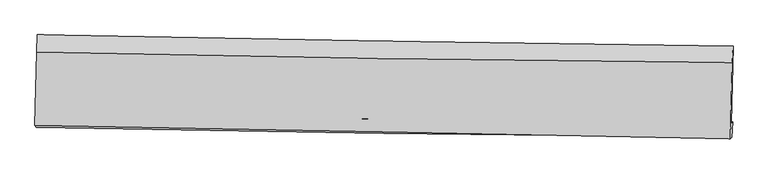
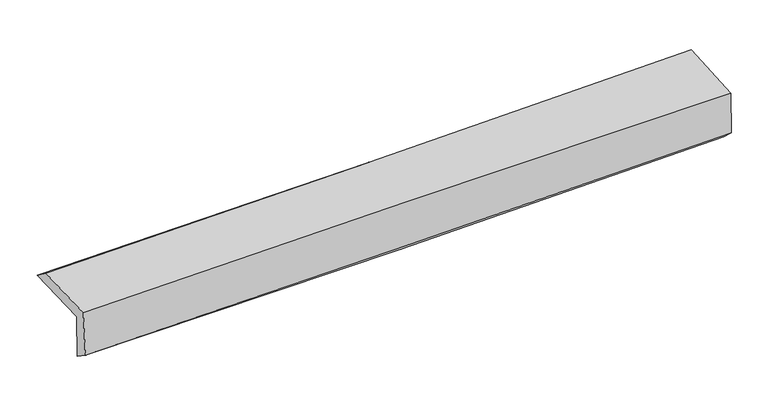
"""IFC4 building model written with IfcOpenShell, lengths in millimetres: proxy geometry."""

import ifcopenshell
import ifcopenshell.guid

model = None  # the IFC model being written
_history = None  # IfcOwnerHistory: only IFC2X3 demands one
_inside = {}  # id of a spatial element -> (the spatial element, [elements in it])
_under = {}  # id of a project, library or spatial element -> (it, [spatial elements below it])
_declared = {}  # id of a project -> (the project, [libraries it declares])
_typed = {}  # id of a type object -> (the type object, [elements of that type])
_made_of = {}  # id of a material, layer set ... -> (it, [elements and type objects made of it])


def new_model(schema):
    """Start an empty IFC model of exactly this schema.

    Asked for "IFC4X3", IfcOpenShell would pick the latest addendum, in which some entities
    have other attributes; the version numbers below select the first issue.
    IFC2X3 requires an IfcOwnerHistory on every rooted entity: one is made here for all.
    """
    global model, _history
    if schema == "IFC4X3":
        model = ifcopenshell.file(schema_version=(4, 3, 0, 0))
    else:
        model = ifcopenshell.file(schema=schema)
    _inside.clear()
    _under.clear()
    _declared.clear()
    _typed.clear()
    _made_of.clear()
    _history = None
    if model.schema == "IFC2X3":
        org = make("IfcOrganization", Name="unknown")
        user = make(
            "IfcPersonAndOrganization",
            ThePerson=make("IfcPerson", FamilyName="unknown"),
            TheOrganization=org,
        )
        app = make(
            "IfcApplication",
            ApplicationDeveloper=org,
            Version="unknown",
            ApplicationFullName="unknown",
            ApplicationIdentifier="unknown",
        )
        _history = make(
            "IfcOwnerHistory",
            OwningUser=user,
            OwningApplication=app,
            ChangeAction="ADDED",
            CreationDate=0,
        )
    return model


def make(cls, **values):
    """One entity of the class cls with the attributes given. An attribute that is None is left unset."""
    return model.create_entity(
        cls, **{name: value for name, value in values.items() if value is not None}
    )


def rooted(cls, **values):
    """An entity with a GlobalId (a new one), such as an element, a storey or a relation."""
    return make(cls, GlobalId=ifcopenshell.guid.new(), OwnerHistory=_history, **values)


def si_unit(unit_type, name, prefix=None):
    """IfcSIUnit, for example si_unit("LENGTHUNIT", "METRE", prefix="MILLI")."""
    return make("IfcSIUnit", UnitType=unit_type, Prefix=prefix, Name=name)


def assignment(units):
    """IfcUnitAssignment: the units of a project."""
    return None if units is None else make("IfcUnitAssignment", Units=units)


def point(xyz):
    """IfcCartesianPoint."""
    return None if xyz is None else make("IfcCartesianPoint", Coordinates=xyz)


def direction(xyz):
    """IfcDirection."""
    return None if xyz is None else make("IfcDirection", DirectionRatios=xyz)


def frame(location, z_axis=None, x_axis=None):
    """IfcAxis2Placement3D, a coordinate frame: its origin and axes. An axis left out is left unset."""
    return make(
        "IfcAxis2Placement3D",
        Location=point(location),
        Axis=direction(z_axis),
        RefDirection=direction(x_axis),
    )


def origin():
    """The frame at (0, 0, 0) with its axes left unset."""
    return frame((0.0, 0.0, 0.0))


def place(relative_to, where):
    """IfcLocalPlacement: puts the frame where relative to a parent placement (None: the world)."""
    return make(
        "IfcLocalPlacement", PlacementRelTo=relative_to, RelativePlacement=where
    )


def context(
    kind, dimensions, precision=None, world=None, true_north=None, identifier=None
):
    """IfcGeometricRepresentationContext, for example the 3D "Model" context."""
    return make(
        "IfcGeometricRepresentationContext",
        ContextIdentifier=identifier,
        ContextType=kind,
        CoordinateSpaceDimension=dimensions,
        Precision=precision,
        WorldCoordinateSystem=world,
        TrueNorth=true_north,
    )


def project(units=None, contexts=None):
    """IfcProject with its units and contexts."""
    return rooted(
        "IfcProject",
        Name="project",
        RepresentationContexts=contexts,
        UnitsInContext=assignment(units),
    )


def spatial(cls, under=None, at=None, **own):
    """A site, building, storey or space (cls), placed at a placement, below another one or the project."""
    s = rooted(cls, ObjectPlacement=at, **own)
    if under is not None:
        _under.setdefault(under.id(), (under, []))[1].append(s)
    return s


def shape(context_of_items, identifier, shape_type, items):
    """IfcShapeRepresentation: the items that make up one representation, for example the "Body"."""
    return make(
        "IfcShapeRepresentation",
        ContextOfItems=context_of_items,
        RepresentationIdentifier=identifier,
        RepresentationType=shape_type,
        Items=items,
    )


def source(mapping_origin, context_of_items, identifier, shape_type, items):
    """IfcRepresentationMap: a shape defined once, which mapped items show again and again."""
    return make(
        "IfcRepresentationMap",
        MappingOrigin=mapping_origin,
        MappedRepresentation=shape(context_of_items, identifier, shape_type, items),
    )


def transform(
    local_origin,
    x_axis=None,
    y_axis=None,
    z_axis=None,
    scale=None,
    scale2=None,
    scale3=None,
    uniform=True,
):
    """IfcCartesianTransformationOperator3D, or its non-uniform kind. x_axis, y_axis, z_axis: its Axis1, 2, 3."""
    if uniform:
        return make(
            "IfcCartesianTransformationOperator3D",
            Axis1=direction(x_axis),
            Axis2=direction(y_axis),
            LocalOrigin=point(local_origin),
            Scale=scale,
            Axis3=direction(z_axis),
        )
    return make(
        "IfcCartesianTransformationOperator3DnonUniform",
        Axis1=direction(x_axis),
        Axis2=direction(y_axis),
        LocalOrigin=point(local_origin),
        Scale=scale,
        Axis3=direction(z_axis),
        Scale2=scale2,
        Scale3=scale3,
    )


def mapped(mapping_source, mapping_target):
    """IfcMappedItem: shows the shape of a source again, moved by a transform."""
    return make(
        "IfcMappedItem", MappingSource=mapping_source, MappingTarget=mapping_target
    )


def made_of(thing, what):
    """Note that an element or type object is made of a material, layer set ...; save() writes the relation."""
    if what is not None:
        _made_of.setdefault(what.id(), (what, []))[1].append(thing)
    return thing


def element(
    cls,
    number,
    at=None,
    inside=None,
    cuts=None,
    type_object=None,
    material=None,
    context=None,
    identifier="Body",
    shape_type=None,
    held_by="IfcProductDefinitionShape",
    body=None,
    shapes=None,
    **own,
):
    """One element of the class cls, such as IfcWall. Its Tag is "e" and its number.

    at: its placement. inside: the storey or other place that contains it. cuts: it is an
    opening in that element (IfcRelVoidsElement). A single representation is given by context,
    identifier, shape_type and body (its items); several are given by shapes. held_by: the class
    of the entity that holds the representations. save() writes the other relations.
    """
    e = rooted(cls, Tag="e%d" % number, ObjectPlacement=at, **own)
    if body is not None:
        shapes = [shape(context, identifier, shape_type, body)]
    if shapes is not None:
        e.Representation = make(held_by, Representations=shapes)
    if inside is not None:
        _inside.setdefault(inside.id(), (inside, []))[1].append(e)
    if cuts is not None:
        rooted(
            "IfcRelVoidsElement", RelatingBuildingElement=cuts, RelatedOpeningElement=e
        )
    if type_object is not None:
        _typed.setdefault(type_object.id(), (type_object, []))[1].append(e)
    return made_of(e, material)


def aggregate(whole, parts):
    """IfcRelAggregates: a whole, such as a stair, and the parts it consists of."""
    return rooted("IfcRelAggregates", RelatingObject=whole, RelatedObjects=parts)


def save(model, path):
    """Write the relations noted so far, then the file.

    IfcRelAggregates (storeys below a building ...), IfcRelContainedInSpatialStructure (elements
    in a storey), IfcRelDefinesByType, IfcRelAssociatesMaterial and IfcRelDeclares: one each for
    every whole, place, type object, material and project.
    """
    for whole, parts in _under.values():
        aggregate(whole, parts)
    for where, things in _inside.values():
        rooted(
            "IfcRelContainedInSpatialStructure",
            RelatedElements=things,
            RelatingStructure=where,
        )
    for kind, things in _typed.values():
        rooted("IfcRelDefinesByType", RelatedObjects=things, RelatingType=kind)
    for what, things in _made_of.values():
        rooted("IfcRelAssociatesMaterial", RelatedObjects=things, RelatingMaterial=what)
    for by, libraries in _declared.values():
        rooted("IfcRelDeclares", RelatingContext=by, RelatedDefinitions=libraries)
    model.write(path)


def plane_surface(at):
    """IfcPlane: the flat surface through the origin of the frame at, square to its z axis."""
    return make("IfcPlane", Position=at)


def spline_curve(degree, points, multiplicities, knots, weights=None):
    """IfcBSplineCurveWithKnots; with weights, IfcRationalBSplineCurveWithKnots."""
    own = dict(
        Degree=degree,
        ControlPointsList=[point(p) for p in points],
        CurveForm="UNSPECIFIED",
        ClosedCurve=False,
        SelfIntersect=False,
        KnotMultiplicities=multiplicities,
        Knots=knots,
        KnotSpec="UNSPECIFIED",
    )
    if weights is None:
        return make("IfcBSplineCurveWithKnots", **own)
    return make("IfcRationalBSplineCurveWithKnots", WeightsData=weights, **own)


def spline_surface(u_degree, v_degree, points, u_multiplicities, v_multiplicities, u_knots, v_knots, weights=None):
    """IfcBSplineSurfaceWithKnots; with weights, IfcRationalBSplineSurfaceWithKnots. points: one row for each step in u."""
    own = dict(
        UDegree=u_degree,
        VDegree=v_degree,
        ControlPointsList=[[point(p) for p in row] for row in points],
        SurfaceForm="UNSPECIFIED",
        UClosed=False,
        VClosed=False,
        SelfIntersect=False,
        UMultiplicities=u_multiplicities,
        VMultiplicities=v_multiplicities,
        UKnots=u_knots,
        VKnots=v_knots,
        KnotSpec="UNSPECIFIED",
    )
    if weights is None:
        return make("IfcBSplineSurfaceWithKnots", **own)
    return make("IfcRationalBSplineSurfaceWithKnots", WeightsData=weights, **own)


def advanced_brep(points, edges, surfaces, faces):
    """IfcAdvancedBrep: a solid bounded by faces that lie on surfaces and meet in shared edges.

    An edge is (start, end): straight between two places in points (the first is 0);
    or (start, end, curve); or (start, end, curve, False) where it runs against its curve.
    A face is (place in surfaces, loops), or (place, loops, False) where it looks against
    its surface's normal. A loop lists edges by number (the first is 1), with a minus sign
    where the edge is run from its end to its start. The first loop is the outer one.
    """
    corners = [point(p) for p in points]
    vertices = [make("IfcVertexPoint", VertexGeometry=c) for c in corners]
    made = []
    for start, end, *more in edges:
        made.append(
            make(
                "IfcEdgeCurve",
                EdgeStart=vertices[start],
                EdgeEnd=vertices[end],
                EdgeGeometry=more[0] if more else make("IfcPolyline", Points=[corners[start], corners[end]]),
                SameSense=more[1] if len(more) > 1 else True,
            )
        )
    hull = []
    for where, loops, *sense in faces:
        bounds = []
        for j, loop in enumerate(loops):
            ring = [make("IfcOrientedEdge", EdgeElement=made[abs(k) - 1], Orientation=k > 0) for k in loop]
            bounds.append(
                make(
                    "IfcFaceOuterBound" if j == 0 else "IfcFaceBound",
                    Bound=make("IfcEdgeLoop", EdgeList=ring),
                    Orientation=True,
                )
            )
        hull.append(make("IfcAdvancedFace", Bounds=bounds, FaceSurface=surfaces[where], SameSense=sense[0] if sense else True))
    return make("IfcAdvancedBrep", Outer=make("IfcClosedShell", CfsFaces=hull))


def generic_models_c158de7d(model_context):
    return source(origin(), model_context, "Body", "AdvancedBrep", [
        advanced_brep(
        [(-3026.2478753, -1761.5955665, 1976.6779601), (-3010.233546, -1087.709192, 1975.6823363), (3015.8185773, -1187.7737099, 2103.8215374), (2999.8403979, -1857.7310887, 2106.906991), (-3014.8907949, -1748.5931013, 1572.0265711), (3011.153668, -1844.9698934, 1703.6505049), (-3020.9783121, -1890.7237376, 1671.485837), (3004.4947702, -1979.7643991, 1830.4105614), (-3031.9498201, -1875.9986916, 2086.1075349), (2993.2692883, -1992.4265708, 2230.5378789), (-3016.9426462, -1237.7719649, 2091.0148173), (3008.3295493, -1327.3204586, 2256.8557037)],
        [
            (0, 1),
            (1, 2, spline_curve(3, [(-3010.233546, -1087.709192, 1975.6823363), (-2005.712810689, -1107.394169504, 1988.011023298), (-1001.283214858, -1125.57534397, 2004.853579752), (1007.400827257, -1158.930204646, 2047.566582487), (2011.655273109, -1174.10386951, 2073.437093284), (3015.8185773, -1187.7737099, 2103.8215374)], [4, 2, 4], [0.0, 9.888957292160466, 19.77798479982387])),
            (2, 3),
            (3, 0, spline_curve(3, [(2999.8403979, -1857.7310887, 2106.906991), (1995.61552792, -1846.036898663, 2077.060775336), (991.327287112, -1832.178473941, 2051.285224336), (-1017.36880507, -1800.133269225, 2007.875605377), (-2021.776655317, -1781.946519789, 1990.241479217), (-3026.2478753, -1761.5955665, 1976.6779601)], [4, 2, 4], [0.0, 9.889027507663403, 19.77798479982387])),
            (4, 0),
            (3, 5),
            (5, 4, spline_curve(3, [(3011.153668, -1844.9698934, 1703.6505049), (2007.097445904, -1833.117446662, 1667.765119867), (1002.897179821, -1819.159787733, 1638.853752279), (-1005.78430983, -1787.034160719, 1594.979206484), (-2010.265531368, -1768.866222015, 1580.015929788), (-3014.8907949, -1748.5931013, 1572.0265711)], [4, 2, 4], [0.0, 9.889079176679838, 19.77808813748987])),
            (6, 4),
            (5, 7),
            (7, 6, spline_curve(3, [(3004.4947702, -1979.7643991, 1830.4105614), (2000.160064029, -1971.86577995, 1801.28917731), (995.868171338, -1960.496376729, 1773.484716034), (-1012.622855223, -1930.816106641, 1720.509826637), (-2016.821990442, -1912.505289806, 1695.339379798), (-3020.9783121, -1890.7237376, 1671.485837)], [4, 2, 4], [0.0, 9.888973506909903, 19.77787679870029])),
            (8, 6),
            (7, 9),
            (9, 8, spline_curve(3, [(2993.2692883, -1992.4265708, 2230.5378789), (1988.929189263, -1970.656657121, 2213.666435072), (984.655764879, -1950.06934676, 2193.194795426), (-1023.750603665, -1911.26007062, 2145.051296492), (-2027.883548988, -1893.038087995, 2117.37948779), (-3031.9498201, -1875.9986916, 2086.1075349)], [4, 2, 4], [0.0, 9.888715554190574, 19.77736089509319])),
            (10, 8),
            (9, 11),
            (11, 10, spline_curve(3, [(3008.3295493, -1327.3204586, 2256.8557037), (2003.961238998, -1319.061173792, 2229.278430446), (999.669285259, -1307.469118521, 2201.669671127), (-1008.754778982, -1277.61957345, 2146.389374929), (-2012.886890187, -1259.3621307, 2118.717839137), (-3016.9426462, -1237.7719649, 2091.0148173)], [4, 2, 4], [0.0, 9.8887129813688, 19.777355749467908])),
            (1, 10),
            (11, 2),
        ],
        [
            spline_surface(3, 3, [[(-3026.2478753, -1761.5955665, 1976.6779601), (-2021.7766552, -1781.946519754, 1990.241479341), (-1017.368804967, -1800.133269183, 2007.875605284), (991.327287009, -1832.178473983, 2051.285224428), (1995.615527823, -1846.036898621, 2077.060775485), (2999.8403979, -1857.7310887, 2106.906991)], [(-3020.909765522, -1536.966774983, 1976.346085474), (-2016.422040301, -1557.095736364, 1989.497993985), (-1012.006941635, -1575.280627457, 2006.86826342), (996.685133813, -1607.762384207, 2050.045677165), (2000.962109535, -1622.059222259, 2075.852881429), (3005.1664577, -1634.411962413, 2105.878506471)], [(-3015.571655778, -1312.337983517, 1976.014210926), (-2011.067425437, -1332.244953025, 1988.754508708), (-1006.645078328, -1350.427985709, 2005.86092151), (1002.042980592, -1383.34629441, 2048.806129856), (2006.308691248, -1398.081545956, 2074.64498736), (3010.4925175, -1411.092836187, 2104.850021929)], [(-3010.233546, -1087.709192, 1975.6823363), (-2005.712810537, -1107.394169635, 1988.011023352), (-1001.283214996, -1125.575343982, 2004.853579646), (1007.400827396, -1158.930204634, 2047.566582593), (2011.65527296, -1174.103869594, 2073.437093304), (3015.8185773, -1187.7737099, 2103.8215374)]], [4, 4], [4, 2, 4], [0.0, 2.2116250747869], [0.0, 9.888957292160466, 19.77798479982387]),
            spline_surface(3, 3, [[(-3014.8907949, -1748.5931013, 1572.0265711), (-2010.265531286, -1768.866221988, 1580.015929808), (-1005.784309848, -1787.034160595, 1594.979206608), (1002.897179839, -1819.159787856, 1638.853752155), (2007.097446019, -1833.117446618, 1667.76511999), (3011.153668, -1844.9698934, 1703.6505049)], [(-3018.676488366, -1752.927256386, 1706.910367445), (-2014.102572589, -1773.226321263, 1716.757779664), (-1009.645808218, -1791.400530116, 1732.611339491), (999.040548899, -1823.49934989, 1776.33090957), (2003.270139956, -1837.423930639, 1804.197005169), (3007.382577969, -1849.223625186, 1838.069333614)], [(-3022.462181834, -1757.261411414, 1841.794163755), (-2017.939613896, -1777.586420479, 1853.499629484), (-1013.507306597, -1795.766899663, 1870.243472401), (995.183917949, -1827.838911949, 1913.808067013), (1999.442833886, -1841.730414601, 1940.628890306), (3003.611487931, -1853.477356914, 1972.488162286)], [(-3026.2478753, -1761.5955665, 1976.6779601), (-2021.7766552, -1781.946519754, 1990.241479341), (-1017.368804967, -1800.133269183, 2007.875605284), (991.327287009, -1832.178473983, 2051.285224428), (1995.615527823, -1846.036898621, 2077.060775485), (2999.8403979, -1857.7310887, 2106.906991)]], [4, 4], [4, 2, 4], [0.0, 1.3550944667069615], [0.0, 9.889008960810033, 19.77808813748987]),
            spline_surface(3, 3, [[(-3020.9783121, -1890.7237376, 1671.485837), (-2016.821990324, -1912.505289666, 1695.33937983), (-1012.622855352, -1930.816106786, 1720.50982662), (995.868171466, -1960.496376584, 1773.484716051), (2000.160063942, -1971.865779943, 1801.289177396), (3004.4947702, -1979.7643991, 1830.4105614)], [(-3018.949139725, -1843.346858834, 1638.332748354), (-2014.636504003, -1864.625600441, 1656.89822981), (-1010.343340208, -1882.888791397, 1678.666286615), (998.211174233, -1913.384180349, 1728.607728084), (2002.472524624, -1925.616335491, 1756.781158231), (3006.71440279, -1934.83289719, 1788.157209203)], [(-3016.919967275, -1795.969980066, 1605.179659746), (-2012.451017607, -1816.745911214, 1618.457079828), (-1008.063824992, -1834.961475985, 1636.822746613), (1000.554177072, -1866.271984092, 1683.730740121), (2004.784985336, -1879.36689107, 1712.273139156), (3008.93403541, -1889.90139531, 1745.903857097)], [(-3014.8907949, -1748.5931013, 1572.0265711), (-2010.265531286, -1768.866221988, 1580.015929808), (-1005.784309848, -1787.034160595, 1594.979206608), (1002.897179839, -1819.159787856, 1638.853752155), (2007.097446019, -1833.117446618, 1667.76511999), (3011.153668, -1844.9698934, 1703.6505049)]], [4, 4], [4, 2, 4], [0.0, 0.633569518344665], [0.0, 9.888903291790388, 19.77787679870029]),
            spline_surface(3, 3, [[(-3031.9498201, -1875.9986916, 2086.1075349), (-2027.883548845, -1893.03808784, 2117.379487856), (-1023.750603652, -1911.260070547, 2145.051296411), (984.655764866, -1950.069346833, 2193.194795507), (1988.929189144, -1970.656657167, 2213.666435011), (2993.2692883, -1992.4265708, 2230.5378789)], [(-3028.29265074, -1880.90704027, 1947.900302267), (-2024.196362644, -1899.527155118, 1976.699451848), (-1020.041354198, -1917.77874929, 2003.537473147), (988.393233753, -1953.545023413, 2053.291435688), (1992.672814099, -1971.059698093, 2076.207349168), (2997.011115622, -1988.205846901, 2097.162106429)], [(-3024.63548146, -1885.81538893, 1809.693069633), (-2020.509176525, -1906.016222388, 1836.019415839), (-1016.332104806, -1924.297428043, 1862.023649884), (992.130702579, -1957.020700004, 1913.38807587), (1996.416438987, -1971.462739017, 1938.748263239), (3000.752942878, -1983.985122999, 1963.786333871)], [(-3020.9783121, -1890.7237376, 1671.485837), (-2016.821990324, -1912.505289666, 1695.33937983), (-1012.622855352, -1930.816106786, 1720.50982662), (995.868171466, -1960.496376584, 1773.484716051), (2000.160063942, -1971.865779943, 1801.289177396), (3004.4947702, -1979.7643991, 1830.4105614)]], [4, 4], [4, 2, 4], [0.0, 1.386284611058166], [0.0, 9.888645340902615, 19.77736089509319]),
            spline_surface(3, 3, [[(-3016.9426462, -1237.7719649, 2091.0148173), (-2012.886890294, -1259.362130622, 2118.717839209), (-1008.754778902, -1277.61957338, 2146.389375062), (999.669285179, -1307.469118591, 2201.669670993), (2003.961238956, -1319.061173765, 2229.278430572), (3008.3295493, -1327.3204586, 2256.8557037)], [(-3021.945037503, -1450.514207109, 2089.379056519), (-2017.885776481, -1470.58744967, 2118.27172211), (-1013.753387155, -1488.833072453, 2145.943348846), (994.664778404, -1521.66919469, 2198.844712499), (1998.950555682, -1536.259668236, 2224.074432024), (3003.309462296, -1549.022496004, 2248.083095405)], [(-3026.947428797, -1663.256449391, 2087.743295681), (-2022.884662658, -1681.812768792, 2117.825604955), (-1018.751995398, -1700.046571474, 2145.497322627), (989.66027164, -1735.869270735, 2196.019754001), (1993.939872418, -1753.458162695, 2218.870433559), (2998.289375304, -1770.724533396, 2239.310487195)], [(-3031.9498201, -1875.9986916, 2086.1075349), (-2027.883548845, -1893.03808784, 2117.379487856), (-1023.750603652, -1911.260070547, 2145.051296411), (984.655764866, -1950.069346833, 2193.194795507), (1988.929189144, -1970.656657167, 2213.666435011), (2993.2692883, -1992.4265708, 2230.5378789)]], [4, 4], [4, 2, 4], [0.0, 2.094211406165766], [0.0, 9.888642768099109, 19.777355749467908]),
            spline_surface(3, 3, [[(-3010.233546, -1087.709192, 1975.6823363), (-2005.712810537, -1107.394169635, 1988.011023352), (-1001.283214996, -1125.575343982, 2004.853579646), (1007.400827396, -1158.930204634, 2047.566582593), (2011.65527296, -1174.103869594, 2073.437093304), (3015.8185773, -1187.7737099, 2103.8215374)], [(-3012.469912745, -1137.730116318, 2014.126496641), (-2008.104170468, -1158.050156649, 2031.579961979), (-1003.773736302, -1176.256753761, 2052.032178113), (1004.823646652, -1208.443175933, 2098.934278721), (2009.090594947, -1222.42297099, 2125.384205738), (3013.322234622, -1234.289292806, 2154.832926178)], [(-3014.706279455, -1187.751040582, 2052.570656959), (-2010.495530363, -1208.706143608, 2075.148900582), (-1006.264257596, -1226.938163601, 2099.210776595), (1002.246465922, -1257.956147293, 2150.301974865), (2006.525916969, -1270.742072368, 2177.331318139), (3010.825891978, -1280.804875694, 2205.844314922)], [(-3016.9426462, -1237.7719649, 2091.0148173), (-2012.886890294, -1259.362130622, 2118.717839209), (-1008.754778902, -1277.61957338, 2146.389375062), (999.669285179, -1307.469118591, 2201.669670993), (2003.961238956, -1319.061173765, 2229.278430572), (3008.3295493, -1327.3204586, 2256.8557037)]], [4, 4], [4, 2, 4], [0.0, 0.6920623378642035], [0.0, 9.888807727969501, 19.777685670379974]),
            plane_surface(frame((3005.4843752, -1698.3310201, 2038.6971962), z_axis=(0.999346476931224, -0.023708294792719055, 0.02728618337496653), x_axis=(0.028029720897326308, 0.03161709579173157, -0.9991069482293248))),
            plane_surface(frame((-3020.2071658, -1600.398709, 1895.4991761), z_axis=(-0.9993464769312341, 0.023708294794697174, -0.02728618337287289), x_axis=(-0.02375740550707793, -0.9997166619116135, 0.0014770172216154694))),
        ],
        [
            (0, [[1, 2, 3, 4]]),
            (1, [[5, -4, 6, 7]]),
            (2, [[8, -7, 9, 10]]),
            (3, [[11, -10, 12, 13]]),
            (4, [[14, -13, 15, 16]]),
            (5, [[17, -16, 18, -2]]),
            (6, [[-12, -9, -6, -3, -18, -15]]),
            (7, [[-1, -5, -8, -11, -14, -17]]),
        ],
    ),
    ])


if __name__ == "__main__":
    model = new_model("IFC4")
    model_context = context("Model", 3, world=origin())
    ifc_project = project(units=[si_unit("LENGTHUNIT", "METRE", prefix="MILLI")], contexts=[model_context])
    site = spatial("IfcSite", under=ifc_project)
    building = spatial("IfcBuilding", under=site)
    placement = place(None, origin())
    generic_models_shape = generic_models_c158de7d(model_context)
    element("IfcBuildingElementProxy", 1, Name="Generic Models", at=placement, inside=building, context=model_context, shape_type="MappedRepresentation", body=[
        mapped(generic_models_shape, transform((0.0, 0.0, 0.0), x_axis=(1.0, 0.0, 0.0), y_axis=(0.0, 1.0, 0.0), z_axis=(0.0, 0.0, 1.0))),
    ])
    save(model, "model.ifc")
